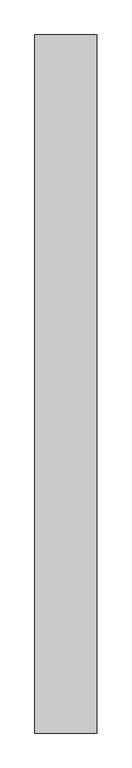
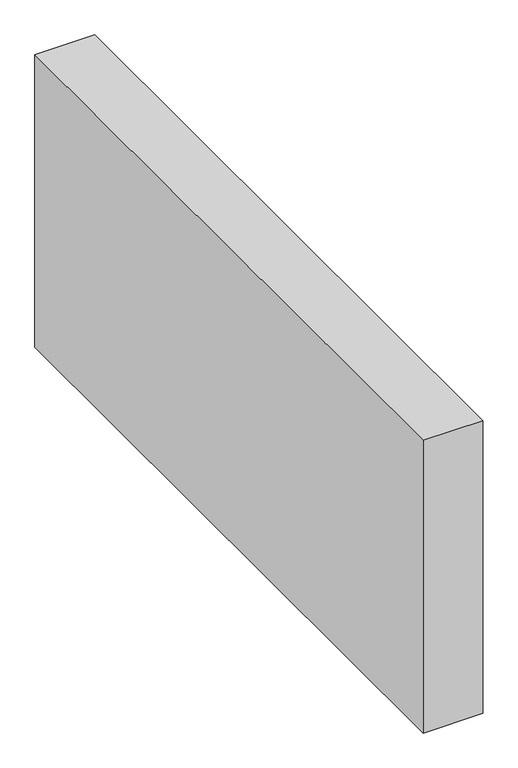
"""IFC4 building model written with IfcOpenShell, lengths in millimetres: proxy geometry."""

from ifc_helpers import new_model, si_unit, origin, origin_with_axes, place, context, project, spatial, polyline, outline, extrude, source, transform, mapped, element, save


def generic_models_69c51e87(model_context):
    return source(origin(), model_context, "Body", "SweptSolid", [
        extrude(outline(polyline([(150.0, 1688.7870322), (150.0, 0.0), (0.0, 0.0), (0.0, 1688.7870322), (150.0, 1688.7870322)])), origin_with_axes(), (0.0, 0.0, 1.0), 776.6553396),
    ])


if __name__ == "__main__":
    model = new_model("IFC4")
    model_context = context("Model", 3, world=origin())
    ifc_project = project(units=[si_unit("LENGTHUNIT", "METRE", prefix="MILLI")], contexts=[model_context])
    site = spatial("IfcSite", under=ifc_project)
    building = spatial("IfcBuilding", under=site)
    placement = place(None, origin())
    generic_models_shape = generic_models_69c51e87(model_context)
    element("IfcBuildingElementProxy", 1, Name="Generic Models", at=placement, inside=building, context=model_context, shape_type="MappedRepresentation", body=[
        mapped(generic_models_shape, transform((0.0, 0.0, 0.0), x_axis=(1.0, 0.0, 0.0), y_axis=(0.0, 1.0, 0.0), z_axis=(0.0, 0.0, 1.0))),
    ])
    save(model, "model.ifc")
